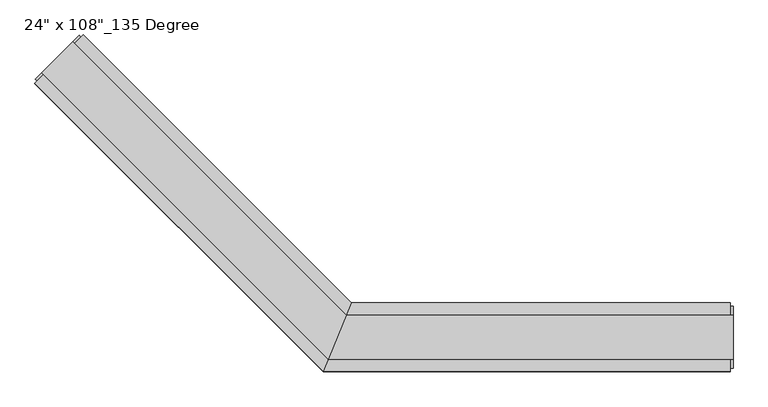
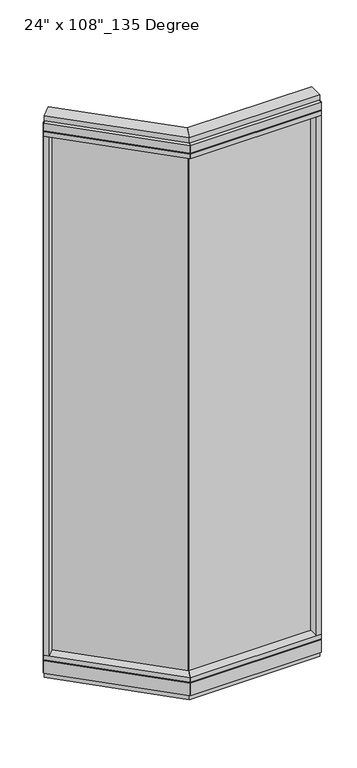
"""IFC4 building model written with IfcOpenShell, lengths in millimetres: furniture geometry."""

from ifc_helpers import new_model, si_unit, frame, origin, origin_with_axes, place, context, project, spatial, polyline, outline, extrude, faceted_brep, source, transform, mapped, element, save


def furniture_e1f315e4(model_context):
    return source(origin(), model_context, "Body", "SolidModel", [
        extrude(outline(polyline([(-745.0605671, 389.5641666), (-737.8763622, 396.7483715), (-338.7937802, -2.3342105), (-345.9779851, -9.5184154), (-745.0605671, 389.5641666)])), frame((0.0, 0.0, 120.523), z_axis=(0.0, 0.0, 1.0), x_axis=(1.0, 0.0, 0.0)), (0.0, 0.0, 1.0), 2533.777),
        extrude(outline(polyline([(-721.2628884, 444.7927418), (-322.752425, 46.2822784), (-364.8365229, -55.3177216), (-793.1049374, 372.9506928), (-721.2628884, 444.7927418)])), frame((0.0, 0.0, 2654.3), z_axis=(0.0, 0.0, 1.0), x_axis=(1.0, 0.0, 0.0)), (0.0, 0.0, 1.0), 22.225),
        faceted_brep([(-322.752425, 46.2822784, 2681.478), (-322.752425, 46.2822784, 2717.8), (-364.8365229, -55.3177216, 2717.8), (-364.8365229, -55.3177216, 2681.478), (-362.7849232, -50.3647216, 2681.478), (-362.7849232, -50.3647216, 2676.525), (-324.8040248, 41.3292784, 2676.525), (-324.8040248, 41.3292784, 2681.478), (-721.2628884, 444.7927418, 2681.478), (-724.7651883, 441.2904419, 2681.478), (-724.7651883, 441.2904419, 2676.525), (-789.6026375, 376.4529927, 2676.525), (-789.6026375, 376.4529927, 2681.478), (-793.1049374, 372.9506928, 2681.478), (-793.1049374, 372.9506928, 2717.8), (-721.2628884, 444.7927418, 2717.8)], [[[0, 1, 2, 3, 4, 5, 6, 7]], [[8, 9, 10, 11, 12, 13, 14, 15]], [[8, 0, 7, 9]], [[13, 3, 2, 14]], [[14, 2, 1, 15]], [[15, 1, 0, 8]], [[9, 7, 6, 10]], [[10, 6, 5, 11]], [[11, 5, 4, 12]], [[12, 4, 3, 13]]]),
        extrude(outline(polyline([(-736.9783366, 434.6450523), (-330.3275626, 27.9942784), (-357.2613853, -37.0297216), (-782.9572479, 388.666141), (-736.9783366, 434.6450523)])), frame((0.0, 0.0, 2717.8), z_axis=(0.0, 0.0, 1.0), x_axis=(1.0, 0.0, 0.0)), (0.0, 0.0, 1.0), 25.4),
        faceted_brep([(-324.8040248, 41.3292784, 93.345), (-324.8040248, 41.3292784, 98.298), (-362.7849232, -50.3647216, 98.298), (-362.7849232, -50.3647216, 93.345), (-364.8365229, -55.3177216, 93.345), (-364.8365229, -55.3177216, 31.75), (-322.752425, 46.2822784, 31.75), (-322.752425, 46.2822784, 93.345), (-721.2628884, 444.7927418, 93.345), (-721.2628884, 444.7927418, 31.75), (-793.1049374, 372.9506928, 31.75), (-793.1049374, 372.9506928, 93.345), (-789.6026375, 376.4529927, 93.345), (-789.6026375, 376.4529927, 98.298), (-724.7651883, 441.2904419, 98.298), (-724.7651883, 441.2904419, 93.345)], [[[0, 1, 2, 3, 4, 5, 6, 7]], [[8, 9, 10, 11, 12, 13, 14, 15]], [[15, 0, 7, 8]], [[10, 5, 4, 11]], [[9, 6, 5, 10]], [[8, 7, 6, 9]], [[14, 1, 0, 15]], [[13, 2, 1, 14]], [[12, 3, 2, 13]], [[11, 4, 3, 12]]]),
        extrude(outline(polyline([(-721.2628884, 444.7927418), (-322.752425, 46.2822784), (-364.8365229, -55.3177216), (-793.1049374, 372.9506928), (-721.2628884, 444.7927418)])), frame((0.0, 0.0, 98.298), z_axis=(0.0, 0.0, 1.0), x_axis=(1.0, 0.0, 0.0)), (0.0, 0.0, 1.0), 22.225),
        extrude(outline(polyline([(-736.9783366, 434.6450523), (-330.3275626, 27.9942784), (-357.2613853, -37.0297216), (-782.9572479, 388.666141), (-736.9783366, 434.6450523)])), origin_with_axes(), (0.0, 0.0, 1.0), 31.75),
        extrude(outline(polyline([(-777.3894891, 357.2352446), (-793.1049374, 372.9506928), (-721.2628884, 444.7927418), (-705.5474402, 429.0772935), (-777.3894891, 357.2352446)])), frame((0.0, 0.0, 120.523), z_axis=(0.0, 0.0, 1.0), x_axis=(1.0, 0.0, 0.0)), (0.0, 0.0, 1.0), 2533.777),
        extrude(outline(polyline([(-792.3865169, 379.2368721), (-727.5490677, 444.0743213), (-724.7651883, 441.2904419), (-789.6026375, 376.4529927), (-792.3865169, 379.2368721)])), frame((0.0, 0.0, 31.75), z_axis=(0.0, 0.0, 1.0), x_axis=(1.0, 0.0, 0.0)), (0.0, 0.0, 1.0), 2686.05),
        extrude(outline(polyline([(218.6014771, -9.5977216), (-345.7865229, -9.5977216), (-345.7865229, 0.5622784), (218.6014771, 0.5622784), (218.6014771, -9.5977216)])), frame((0.0, 0.0, 120.523), z_axis=(0.0, 0.0, 1.0), x_axis=(1.0, 0.0, 0.0)), (0.0, 0.0, 1.0), 2533.777),
        extrude(outline(polyline([(240.8264771, 46.2822784), (240.8264771, -55.3177216), (-364.8365229, -55.3177216), (-322.752425, 46.2822784), (240.8264771, 46.2822784)])), frame((0.0, 0.0, 2654.3), z_axis=(0.0, 0.0, 1.0), x_axis=(1.0, 0.0, 0.0)), (0.0, 0.0, 1.0), 22.225),
        faceted_brep([(-322.752425, 46.2822784, 2681.478), (-324.8040248, 41.3292784, 2681.478), (-324.8040248, 41.3292784, 2676.525), (-362.7849232, -50.3647216, 2676.525), (-362.7849232, -50.3647216, 2681.478), (-364.8365229, -55.3177216, 2681.478), (-364.8365229, -55.3177216, 2717.8), (-322.752425, 46.2822784, 2717.8), (240.8264771, 46.2822784, 2681.478), (240.8264771, 46.2822784, 2717.8), (240.8264771, -55.3177216, 2717.8), (240.8264771, -55.3177216, 2681.478), (240.8264771, -50.3647216, 2681.478), (240.8264771, -50.3647216, 2676.525), (240.8264771, 41.3292784, 2676.525), (240.8264771, 41.3292784, 2681.478)], [[[0, 1, 2, 3, 4, 5, 6, 7]], [[8, 9, 10, 11, 12, 13, 14, 15]], [[8, 15, 1, 0]], [[11, 10, 6, 5]], [[10, 9, 7, 6]], [[9, 8, 0, 7]], [[15, 14, 2, 1]], [[14, 13, 3, 2]], [[13, 12, 4, 3]], [[12, 11, 5, 4]]]),
        extrude(outline(polyline([(244.7634771, 27.9942784), (244.7634771, -37.0297216), (-357.2613853, -37.0297216), (-330.3275626, 27.9942784), (244.7634771, 27.9942784)])), frame((0.0, 0.0, 2717.8), z_axis=(0.0, 0.0, 1.0), x_axis=(1.0, 0.0, 0.0)), (0.0, 0.0, 1.0), 25.4),
        faceted_brep([(-324.8040248, 41.3292784, 93.345), (-322.752425, 46.2822784, 93.345), (-322.752425, 46.2822784, 31.75), (-364.8365229, -55.3177216, 31.75), (-364.8365229, -55.3177216, 93.345), (-362.7849232, -50.3647216, 93.345), (-362.7849232, -50.3647216, 98.298), (-324.8040248, 41.3292784, 98.298), (240.8264771, 46.2822784, 93.345), (240.8264771, 41.3292784, 93.345), (240.8264771, 41.3292784, 98.298), (240.8264771, -50.3647216, 98.298), (240.8264771, -50.3647216, 93.345), (240.8264771, -55.3177216, 93.345), (240.8264771, -55.3177216, 31.75), (240.8264771, 46.2822784, 31.75)], [[[0, 1, 2, 3, 4, 5, 6, 7]], [[8, 9, 10, 11, 12, 13, 14, 15]], [[9, 8, 1, 0]], [[14, 13, 4, 3]], [[15, 14, 3, 2]], [[8, 15, 2, 1]], [[10, 9, 0, 7]], [[11, 10, 7, 6]], [[12, 11, 6, 5]], [[13, 12, 5, 4]]]),
        extrude(outline(polyline([(240.8264771, 46.2822784), (240.8264771, -55.3177216), (-364.8365229, -55.3177216), (-322.752425, 46.2822784), (240.8264771, 46.2822784)])), frame((0.0, 0.0, 98.298), z_axis=(0.0, 0.0, 1.0), x_axis=(1.0, 0.0, 0.0)), (0.0, 0.0, 1.0), 22.225),
        extrude(outline(polyline([(244.7634771, 27.9942784), (244.7634771, -37.0297216), (-357.2613853, -37.0297216), (-330.3275626, 27.9942784), (244.7634771, 27.9942784)])), origin_with_axes(), (0.0, 0.0, 1.0), 31.75),
        extrude(outline(polyline([(218.6014771, -55.3177216), (218.6014771, 46.2822784), (240.8264771, 46.2822784), (240.8264771, -55.3177216), (218.6014771, -55.3177216)])), frame((0.0, 0.0, 120.523), z_axis=(0.0, 0.0, 1.0), x_axis=(1.0, 0.0, 0.0)), (0.0, 0.0, 1.0), 2533.777),
        extrude(outline(polyline([(244.7634771, -50.3647216), (240.8264771, -50.3647216), (240.8264771, 41.3292784), (244.7634771, 41.3292784), (244.7634771, -50.3647216)])), frame((0.0, 0.0, 31.75), z_axis=(0.0, 0.0, 1.0), x_axis=(1.0, 0.0, 0.0)), (0.0, 0.0, 1.0), 2686.05),
    ])


if __name__ == "__main__":
    model = new_model("IFC4")
    model_context = context("Model", 3, world=origin())
    ifc_project = project(units=[si_unit("LENGTHUNIT", "METRE", prefix="MILLI")], contexts=[model_context])
    site = spatial("IfcSite", under=ifc_project)
    building = spatial("IfcBuilding", under=site)
    placement = place(None, origin())
    furniture_shape = furniture_e1f315e4(model_context)
    element("IfcFurniture", 1, ObjectType="24\" x 108\"_135 Degree", at=placement, inside=building, context=model_context, shape_type="MappedRepresentation", body=[
        mapped(furniture_shape, transform((0.0, 0.0, 0.0), x_axis=(1.0, 0.0, 0.0), y_axis=(0.0, 1.0, 0.0), z_axis=(0.0, 0.0, 1.0))),
    ])
    save(model, "model.ifc")
